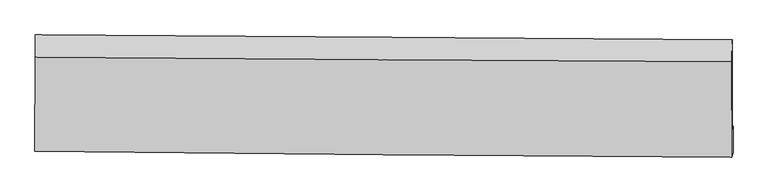
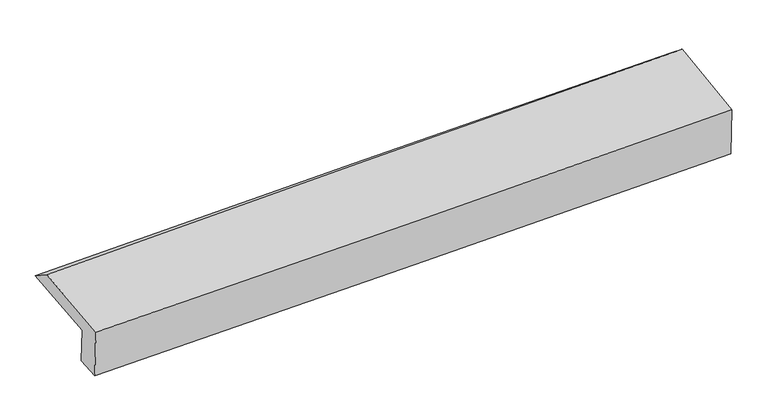
"""IFC4 building model written with IfcOpenShell, lengths in millimetres: proxy geometry."""

from ifc_helpers import new_model, si_unit, frame, origin, place, context, project, spatial, source, transform, mapped, element, save
from ifc_brep_helpers import plane_surface, spline_curve, spline_surface, advanced_brep


def generic_models_66778846(model_context):
    return source(origin(), model_context, "Body", "AdvancedBrep", [
        advanced_brep(
        [(-2430.742364, -1761.1163262, 1933.5874627), (-2429.9183483, -1139.5038346, 1998.4723519), (2408.0737547, -1174.4070523, 2127.9150333), (2406.6694218, -1796.0248232, 2063.0151938), (-2424.2684839, -1738.027827, 1671.9446838), (2413.2049017, -1772.7166338, 1798.8828483), (-2424.5719122, -1914.6096493, 1656.3548263), (2412.7236579, -1954.2783417, 1782.8491443), (-2433.8924186, -1947.8503798, 2033.0444074), (2403.4086843, -1987.4993398, 2159.3151143), (-2433.0273765, -1295.2888178, 2101.1598092), (2404.4301819, -1326.6880263, 2247.689508)],
        [
            (0, 1),
            (1, 2, spline_curve(3, [(-2429.9183483, -1139.5038346, 1998.4723519), (-1620.269890245, -1143.395399866, 2020.517305285), (-810.615983995, -1148.265808876, 2042.370395232), (802.04813956, -1159.916238948, 2085.51481466), (1605.058267573, -1166.680236016, 2106.809285207), (2408.0737547, -1174.4070523, 2127.9150333)], [4, 2, 4], [0.0, 7.971669007434178, 15.877818908664116])),
            (2, 3),
            (3, 0, spline_curve(3, [(2406.6694218, -1796.0248232, 2063.0151938), (1603.745127895, -1791.602028599, 2041.566938907), (800.828745982, -1786.496423031, 2020.101743917), (-811.641980975, -1774.871621347, 1976.959448941), (-1621.196194416, -1768.341060982, 1955.282066812), (-2430.742364, -1761.1163262, 1933.5874627)], [4, 2, 4], [0.0, 7.906149901229938, 15.877818908664116])),
            (4, 0),
            (3, 5),
            (5, 4, spline_curve(3, [(2413.2049017, -1772.7166338, 1798.8828483), (1610.290748021, -1768.257674834, 1777.024774226), (807.374366344, -1763.152069507, 1755.559579009), (-805.116725371, -1751.599895767, 1713.240319067), (-1614.691472002, -1745.142565707, 1692.392792402), (-2424.2684839, -1738.027827, 1671.9446838)], [4, 2, 4], [0.0, 7.905673868768448, 15.876862898809431])),
            (6, 4),
            (5, 7),
            (7, 6, spline_curve(3, [(2412.7236579, -1954.2783417, 1782.8491443), (1609.836420379, -1950.63940208, 1760.919374047), (806.94824822, -1945.533925362, 1739.45486572), (-805.483593153, -1932.335435262, 1697.282349688), (-1615.027277445, -1924.218014574, 1676.582085489), (-2424.5719122, -1914.6096493, 1656.3548263)], [4, 2, 4], [0.0, 7.90554928480806, 15.87661269844811])),
            (8, 6),
            (7, 9),
            (9, 8, spline_curve(3, [(2403.4086843, -1987.4993398, 2159.3151143), (1600.522357582, -1983.857151821, 2137.348534237), (797.634185201, -1978.751675249, 2115.884025893), (-814.799484881, -1965.559708493, 2073.785434562), (-1624.345013829, -1957.448865236, 2053.159707273), (-2433.8924186, -1947.8503798, 2033.0444074)], [4, 2, 4], [0.0, 7.905433107561215, 15.876379381181202])),
            (10, 8),
            (9, 11),
            (11, 10, spline_curve(3, [(2404.4301819, -1326.6880263, 2247.689508), (1601.364297784, -1321.68686992, 2229.052859454), (798.373045847, -1316.580922658, 2207.585842175), (-814.114048981, -1306.116263596, 2158.789714598), (-1623.608650029, -1300.755808379, 2131.413499175), (-2433.0273765, -1295.2888178, 2101.1598092)], [4, 2, 4], [0.0, 7.905957063033479, 15.877431634200526])),
            (1, 10),
            (11, 2),
        ],
        [
            spline_surface(3, 3, [[(-2430.742364, -1761.1163262, 1933.5874627), (-1621.19619445, -1768.341061114, 1955.282066845), (-811.641980963, -1774.871621332, 1976.959448875), (800.82874597, -1786.496423046, 2020.101743983), (1603.745127783, -1791.602028512, 2041.566938971), (2406.6694218, -1796.0248232, 2063.0151938)], [(-2430.467692108, -1553.912162341, 1955.215759115), (-1620.887426411, -1560.025840747, 1977.027146325), (-811.299981964, -1566.003017214, 1998.763097659), (801.235210498, -1577.636361689, 2041.906100927), (1604.182841043, -1583.29476432, 2063.314387757), (2407.137532768, -1588.818899582, 2084.648473651)], [(-2430.193020192, -1346.707998459, 1976.844055485), (-1620.578658348, -1351.710620358, 1998.77222576), (-810.957982976, -1357.134413031, 2020.566746368), (801.641675014, -1368.776300267, 2063.710457797), (1604.620554298, -1374.987500081, 2085.061836489), (2407.605643732, -1381.612975918, 2106.281753449)], [(-2429.9183483, -1139.5038346, 1998.4723519), (-1620.269890308, -1143.395399992, 2020.51730524), (-810.615983977, -1148.265808914, 2042.370395151), (802.048139542, -1159.916238911, 2085.514814741), (1605.058267559, -1166.680235889, 2106.809285275), (2408.0737547, -1174.4070523, 2127.9150333)]], [4, 4], [4, 2, 4], [0.0, 2.066926006464304], [0.0, 7.971669007434178, 15.877818908664116]),
            spline_surface(3, 3, [[(-2424.2684839, -1738.027827, 1671.9446838), (-1614.691472061, -1745.142565722, 1692.392792483), (-805.11672524, -1751.599895876, 1713.240318955), (807.374366213, -1763.152069399, 1755.55957912), (1610.290747926, -1768.257674865, 1777.024774108), (2413.2049017, -1772.7166338, 1798.8828483)], [(-2426.426443943, -1745.723993407, 1759.158943434), (-1616.859712868, -1752.875397526, 1780.022550604), (-807.291810473, -1759.357137703, 1801.146695584), (805.192492806, -1770.933520623, 1843.740300729), (1608.108874519, -1776.039126089, 1865.205495717), (2411.026408374, -1780.486030275, 1886.926963455)], [(-2428.584403957, -1753.420159793, 1846.373203066), (-1619.027953644, -1760.60822931, 1867.652308723), (-809.466895729, -1767.114379505, 1889.053072247), (803.010619377, -1778.714971822, 1931.921022373), (1605.92700119, -1783.820577288, 1953.386217361), (2408.847915126, -1788.255426725, 1974.971078645)], [(-2430.742364, -1761.1163262, 1933.5874627), (-1621.19619445, -1768.341061114, 1955.282066845), (-811.641980963, -1774.871621332, 1976.959448875), (800.82874597, -1786.496423046, 2020.101743983), (1603.745127783, -1791.602028512, 2041.566938971), (2406.6694218, -1796.0248232, 2063.0151938)]], [4, 4], [4, 2, 4], [0.0, 0.8701907858731122], [0.0, 7.971189030040984, 15.876862898809431]),
            spline_surface(3, 3, [[(-2424.5719122, -1914.6096493, 1656.3548263), (-1615.02727757, -1924.218014449, 1676.582085402), (-805.483593032, -1932.335435282, 1697.282349717), (806.9482481, -1945.533925342, 1739.454865691), (1609.83642029, -1950.639401966, 1760.919374031), (2412.7236579, -1954.2783417, 1782.8491443)], [(-2424.470769428, -1855.749041854, 1661.55144545), (-1614.915342395, -1864.526198194, 1681.852321079), (-805.361303755, -1872.090255456, 1702.601672801), (807.090287484, -1884.739973338, 1744.823103505), (1609.987862854, -1889.845492905, 1766.28784072), (2412.884072518, -1893.757772373, 1788.193712297)], [(-2424.369626672, -1796.888434446, 1666.74806465), (-1614.803407236, -1804.834381976, 1687.122556806), (-805.239014517, -1811.845075701, 1707.920995871), (807.232326829, -1823.946021404, 1750.191341306), (1610.139305362, -1829.051583926, 1771.656307418), (2413.044487082, -1833.237203127, 1793.538280303)], [(-2424.2684839, -1738.027827, 1671.9446838), (-1614.691472061, -1745.142565722, 1692.392792483), (-805.11672524, -1751.599895876, 1713.240318955), (807.374366213, -1763.152069399, 1755.55957912), (1610.290747926, -1768.257674865, 1777.024774108), (2413.2049017, -1772.7166338, 1798.8828483)]], [4, 4], [4, 2, 4], [0.0, 0.597961490657028], [0.0, 7.971063413640049, 15.87661269844811]),
            spline_surface(3, 3, [[(-2433.8924186, -1947.8503798, 2033.0444074), (-1624.345013738, -1957.448865172, 2053.159707192), (-814.799484969, -1965.559708546, 2073.785434438), (797.634185289, -1978.751675196, 2115.884026016), (1600.522357479, -1983.85715182, 2137.348534356), (2403.4086843, -1987.4993398, 2159.3151143)], [(-2430.785583135, -1936.770136303, 1907.481213718), (-1621.239101684, -1946.371914934, 1927.63383328), (-811.694187676, -1954.484950799, 1948.284406198), (800.738872873, -1967.679091919, 1990.407639242), (1603.627045063, -1972.784568543, 2011.872147581), (2406.51367548, -1976.425673774, 2033.826457634)], [(-2427.678747665, -1925.689892797, 1781.918019982), (-1618.133189624, -1935.294964687, 1802.107959314), (-808.588890325, -1943.410193029, 1822.783377956), (803.843560516, -1956.60650862, 1864.931252466), (1606.731732706, -1961.711985243, 1886.395760806), (2409.61866672, -1965.352007726, 1908.337800966)], [(-2424.5719122, -1914.6096493, 1656.3548263), (-1615.02727757, -1924.218014449, 1676.582085402), (-805.483593032, -1932.335435282, 1697.282349717), (806.9482481, -1945.533925342, 1739.454865691), (1609.83642029, -1950.639401966, 1760.919374031), (2412.7236579, -1954.2783417, 1782.8491443)]], [4, 4], [4, 2, 4], [0.0, 1.24030232729044], [0.0, 7.970946273619987, 15.876379381181202]),
            spline_surface(3, 3, [[(-2433.0273765, -1295.2888178, 2101.1598092), (-1623.608649938, -1300.755808304, 2131.413499108), (-814.114049023, -1306.116263727, 2158.789714682), (798.373045889, -1316.580922529, 2207.585842091), (1601.364297742, -1321.686869951, 2229.052859469), (2404.4301819, -1326.6880263, 2247.689508)], [(-2433.315723857, -1512.809338474, 2078.45467524), (-1623.854104528, -1519.653493933, 2105.328901776), (-814.342527656, -1525.930745332, 2130.454954588), (798.126759037, -1537.304506749, 2177.018570054), (1601.083650985, -1542.410297255, 2198.484751104), (2404.089682697, -1546.958464147, 2218.231376773)], [(-2433.604071243, -1730.329859126, 2055.74954136), (-1624.099559147, -1738.551179542, 2079.244304524), (-814.571006336, -1745.745226942, 2102.120194531), (797.88047214, -1758.028090975, 2146.451298054), (1600.803004236, -1763.133724516, 2167.916642721), (2403.749183503, -1767.228901953, 2188.773245527)], [(-2433.8924186, -1947.8503798, 2033.0444074), (-1624.345013738, -1957.448865172, 2053.159707192), (-814.799484969, -1965.559708546, 2073.785434438), (797.634185289, -1978.751675196, 2115.884026016), (1600.522357479, -1983.85715182, 2137.348534356), (2403.4086843, -1987.4993398, 2159.3151143)]], [4, 4], [4, 2, 4], [0.0, 2.1872474285858012], [0.0, 7.971474571167048, 15.877431634200526]),
            spline_surface(3, 3, [[(-2429.9183483, -1139.5038346, 1998.4723519), (-1620.269890308, -1143.395399992, 2020.51730524), (-810.615983977, -1148.265808914, 2042.370395151), (802.048139542, -1159.916238911, 2085.514814741), (1605.058267559, -1166.680235889, 2106.809285275), (2408.0737547, -1174.4070523, 2127.9150333)], [(-2430.954691028, -1191.432162321, 2032.701504343), (-1621.382810179, -1195.848869417, 2057.482703206), (-811.782005679, -1200.882627172, 2081.176834989), (800.823108304, -1212.137800104, 2126.205157185), (1603.826944315, -1218.349113892, 2147.557143329), (2406.859230462, -1225.167376949, 2167.83985819)], [(-2431.991033772, -1243.360490079, 2066.930656757), (-1622.495730066, -1248.302338878, 2094.448101143), (-812.948027321, -1253.499445469, 2119.983274844), (799.598077126, -1264.359361335, 2166.895499647), (1602.595620986, -1270.017991948, 2188.305001415), (2405.644706138, -1275.927701651, 2207.76468311)], [(-2433.0273765, -1295.2888178, 2101.1598092), (-1623.608649938, -1300.755808304, 2131.413499108), (-814.114049023, -1306.116263727, 2158.789714682), (798.373045889, -1316.580922529, 2207.585842091), (1601.364297742, -1321.686869951, 2229.052859469), (2404.4301819, -1326.6880263, 2247.689508)]], [4, 4], [4, 2, 4], [0.0, 0.6475661624651178], [0.0, 7.9720933738966675, 15.878664153723342]),
            plane_surface(frame((2408.0851004, -1668.6023695, 2029.9444737), z_axis=(0.9996929039603433, -0.004796785214898365, 0.02431231422424416), x_axis=(0.024639939344844083, 0.08787608188003707, -0.9958266252829835))),
            plane_surface(frame((-2429.4034839, -1632.7328058, 1899.0939235), z_axis=(-0.9996949252290095, 0.00387149126266023, -0.024394016208253367), x_axis=(-0.001318445641642749, -0.9945954959192344, -0.10381744168617586))),
        ],
        [
            (0, [[1, 2, 3, 4]]),
            (1, [[5, -4, 6, 7]]),
            (2, [[8, -7, 9, 10]]),
            (3, [[11, -10, 12, 13]]),
            (4, [[14, -13, 15, 16]]),
            (5, [[17, -16, 18, -2]]),
            (6, [[-12, -9, -6, -3, -18, -15]]),
            (7, [[-1, -5, -8, -11, -14, -17]]),
        ],
    ),
    ])


if __name__ == "__main__":
    model = new_model("IFC4")
    model_context = context("Model", 3, world=origin())
    ifc_project = project(units=[si_unit("LENGTHUNIT", "METRE", prefix="MILLI")], contexts=[model_context])
    site = spatial("IfcSite", under=ifc_project)
    building = spatial("IfcBuilding", under=site)
    placement = place(None, origin())
    generic_models_shape = generic_models_66778846(model_context)
    element("IfcBuildingElementProxy", 1, Name="Generic Models", at=placement, inside=building, context=model_context, shape_type="MappedRepresentation", body=[
        mapped(generic_models_shape, transform((0.0, 0.0, 0.0), x_axis=(1.0, 0.0, 0.0), y_axis=(0.0, 1.0, 0.0), z_axis=(0.0, 0.0, 1.0))),
    ])
    save(model, "model.ifc")
